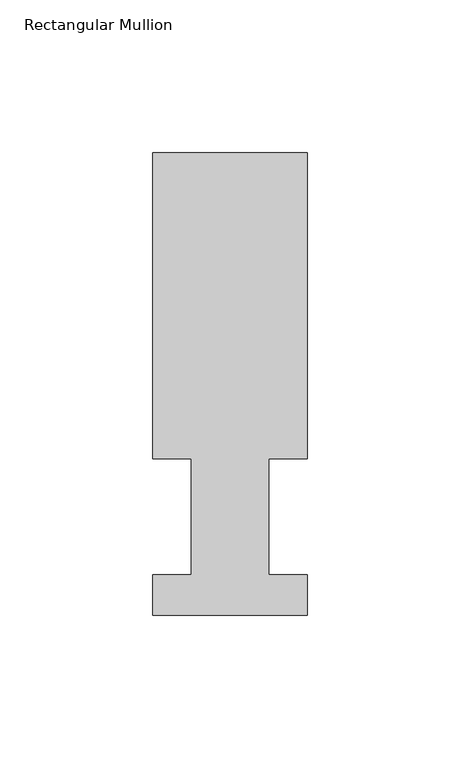
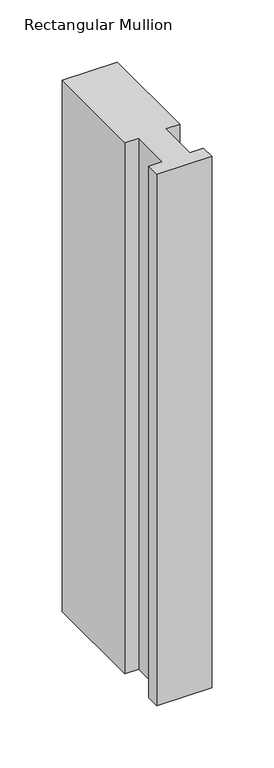
"""IFC4 building model written with IfcOpenShell, lengths in millimetres: member geometry, Rectangular Mullion."""

from ifc_helpers import new_model, si_unit, frame, origin, place, context, project, spatial, polyline, outline, extrude, source, transform, mapped, element, save


def rectangular_mullion_57e91402(model_context):
    return source(origin(), model_context, "Body", "SweptSolid", [
        extrude(outline(polyline([(50.8, 151.7022937), (50.8, 51.2960938), (38.1, 51.2960938), (38.1, 13.1960938), (50.8, 13.1960938), (50.8, 0.0134937), (0.0, 0.0134937), (0.0, 13.1960938), (12.7, 13.1960938), (12.7, 51.2960938), (0.0, 51.2960938), (0.0, 151.7022937), (50.8, 151.7022937)])), frame((0.0, 0.0, -520.7), z_axis=(0.0, 0.0, 1.0), x_axis=(1.0, 0.0, 0.0)), (0.0, 0.0, 1.0), 520.7),
    ])


if __name__ == "__main__":
    model = new_model("IFC4")
    model_context = context("Model", 3, world=origin())
    ifc_project = project(units=[si_unit("LENGTHUNIT", "METRE", prefix="MILLI")], contexts=[model_context])
    site = spatial("IfcSite", under=ifc_project)
    building = spatial("IfcBuilding", under=site)
    placement = place(None, origin())
    rectangular_mullion_shape = rectangular_mullion_57e91402(model_context)
    element("IfcMember", 1, ObjectType="Rectangular Mullion", at=placement, inside=building, context=model_context, shape_type="MappedRepresentation", body=[
        mapped(rectangular_mullion_shape, transform((0.0, 0.0, 0.0), x_axis=(1.0, 0.0, 0.0), y_axis=(0.0, 1.0, 0.0), z_axis=(0.0, 0.0, 1.0))),
    ])
    save(model, "model.ifc")
